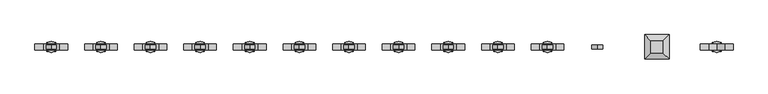
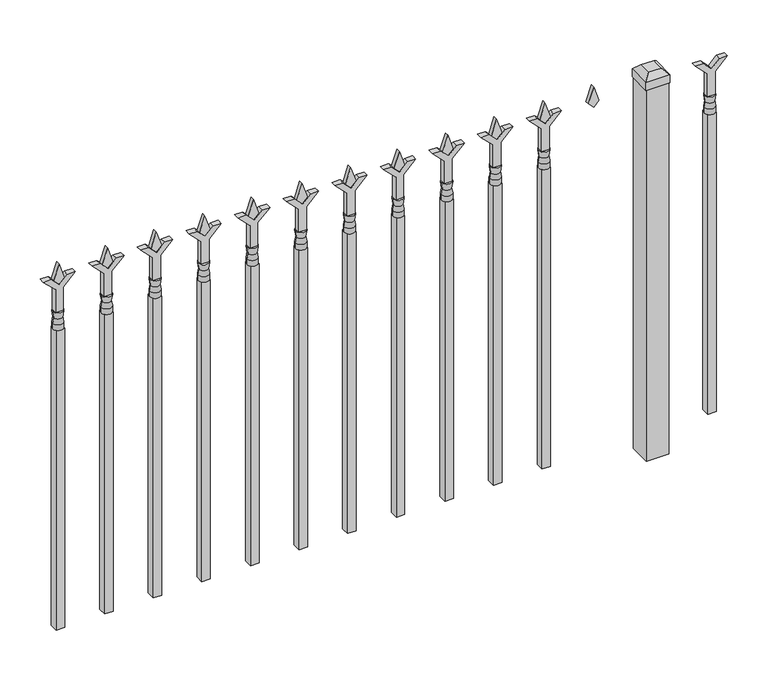
"""IFC4 building model written with IfcOpenShell, lengths in millimetres: railing geometry."""

from ifc_helpers import new_model, si_unit, frame, origin, origin_with_axes, place, context, project, spatial, polyline, circle_curve, outline, extrude, faceted_brep, source, transform, mapped, element, save
from ifc_brep_helpers import plane_surface, cylinder_surface, revolved_surface, advanced_brep


def railing_b59e7a81(model_context):
    return source(origin(), model_context, "Body", "SolidModel", [
        extrude(outline(polyline([(803.275, -90084.624337), (857.5457378, -90084.624337), (884.7355122, -90057.4345625), (884.7355122, -90075.3950747), (866.775, -90093.355587), (884.7355122, -90111.3160992), (884.7355122, -90129.2766114), (857.5457378, -90102.086837), (803.275, -90102.086837), (803.275, -90084.624337)])), frame((0.0, 3015.9929826, 0.0), z_axis=(0.0, 1.0, 0.0), x_axis=(0.0, 0.0, 1.0)), (0.0, 0.0, 1.0), 12.7),
        advanced_brep(
        [(-90081.449337, 3022.3429826, 774.7), (-90105.261837, 3022.3429826, 774.7), (-90105.261837, 3022.3429826, 762.0), (-90081.449337, 3022.3429826, 762.0), (-90083.6546688, 3022.3429826, 787.2070585), (-90103.0565051, 3022.3429826, 787.2070585), (-90081.449337, 3022.3429826, 803.275), (-90105.261837, 3022.3429826, 803.275), (-90093.355587, 3022.3429826, 803.275), (-90093.355587, 3022.3429826, 762.0)],
        [
            (0, 1, circle_curve(frame((-90093.355587, 3022.3429826, 774.7), z_axis=(0.0, 0.0, -1.0), x_axis=(-1.0, 0.0, 0.0)), 11.90625)),
            (1, 2),
            (2, 3, circle_curve(frame((-90093.355587, 3022.3429826, 762.0), z_axis=(0.0, 0.0, 1.0), x_axis=(-1.0, 0.0, 0.0)), 11.90625)),
            (3, 0),
            (1, 0, circle_curve(frame((-90093.355587, 3022.3429826, 774.7), z_axis=(0.0, 0.0, -1.0), x_axis=(-1.0, 0.0, 0.0)), 11.90625)),
            (3, 2, circle_curve(frame((-90093.355587, 3022.3429826, 762.0), z_axis=(0.0, 0.0, 1.0), x_axis=(-1.0, 0.0, 0.0)), 11.90625)),
            (4, 5, circle_curve(frame((-90093.355587, 3022.3429826, 787.2070585), z_axis=(0.0, 0.0, -1.0), x_axis=(-1.0, 0.0, 0.0)), 9.7009181)),
            (5, 1),
            (0, 4),
            (5, 4, circle_curve(frame((-90093.355587, 3022.3429826, 787.2070585), z_axis=(0.0, 0.0, -1.0), x_axis=(-1.0, 0.0, 0.0)), 9.7009181)),
            (6, 7, circle_curve(frame((-90093.355587, 3022.3429826, 803.275), z_axis=(0.0, 0.0, -1.0), x_axis=(-1.0, 0.0, 0.0)), 11.90625)),
            (7, 5),
            (4, 6),
            (7, 6, circle_curve(frame((-90093.355587, 3022.3429826, 803.275), z_axis=(0.0, 0.0, -1.0), x_axis=(-1.0, 0.0, 0.0)), 11.90625)),
            (8, 7),
            (6, 8),
            (2, 9),
            (9, 3),
        ],
        [
            cylinder_surface(frame((-90093.355587, 3022.3429826, 762.0), z_axis=(0.0, 0.0, 1.0), x_axis=(-1.0, 0.0, 0.0)), 11.90625),
            revolved_surface(polyline([(-90105.261837, 3022.3429826, 774.7), (-90103.0565051, 3022.3429826, 787.2070585)]), (-90093.355587, 3022.3429826, 762.0), (0.0, 0.0, 1.0)),
            revolved_surface(polyline([(-90103.0565051, 3022.3429826, 787.2070585), (-90105.261837, 3022.3429826, 803.275)]), (-90093.355587, 3022.3429826, 762.0), (0.0, 0.0, 1.0)),
            plane_surface(frame((-90093.355587, 3022.3429826, 803.275), z_axis=(0.0, 0.0, 1.0), x_axis=(-1.0, 0.0, 0.0))),
            plane_surface(frame((-90093.355587, 3022.3429826, 762.0), z_axis=(0.0, 0.0, -1.0), x_axis=(-1.0, 0.0, 0.0))),
        ],
        [
            (0, [[1, 2, 3, 4]]),
            (0, [[5, -4, 6, -2]]),
            (1, [[7, 8, -1, 9]]),
            (1, [[10, -9, -5, -8]]),
            (2, [[11, 12, -7, 13]]),
            (2, [[14, -13, -10, -12]]),
            (3, [[15, -11, 16]]),
            (3, [[-16, -14, -15]]),
            (4, [[-3, 17, 18]]),
            (4, [[-6, -18, -17]]),
        ],
    ),
        extrude(outline(polyline([(-90102.880587, 3031.8679826), (-90083.830587, 3031.8679826), (-90083.830587, 3012.8179826), (-90102.880587, 3012.8179826), (-90102.880587, 3031.8679826)])), frame((0.0, 0.0, 50.8), z_axis=(0.0, 0.0, 1.0), x_axis=(1.0, 0.0, 0.0)), (0.0, 0.0, 1.0), 711.2),
        faceted_brep([(-90252.105587, 3049.3304826, 901.7), (-90252.105587, 3049.3304826, 882.65), (-90252.105587, 2995.3554826, 882.65), (-90252.105587, 2995.3554826, 901.7), (-90239.405587, 3036.6304826, 914.4), (-90239.405587, 3008.0554826, 914.4), (-90198.130587, 2995.3554826, 882.65), (-90198.130587, 2995.3554826, 901.7), (-90210.830587, 3008.0554826, 914.4), (-90198.130587, 3049.3304826, 882.65), (-90198.130587, 3049.3304826, 901.7), (-90210.830587, 3036.6304826, 914.4)], [[[0, 1, 2, 3]], [[4, 0, 3, 5]], [[3, 2, 6, 7]], [[5, 3, 7, 8]], [[7, 6, 9, 10]], [[8, 7, 10, 11]], [[10, 9, 1, 0]], [[11, 10, 0, 4]], [[5, 8, 11, 4]], [[1, 9, 6, 2]]]),
        extrude(outline(polyline([(-90199.718087, 3047.7429826), (-90199.718087, 2996.9429826), (-90250.518087, 2996.9429826), (-90250.518087, 3047.7429826), (-90199.718087, 3047.7429826)])), origin_with_axes(), (0.0, 0.0, 1.0), 882.65),
        extrude(outline(polyline([(878.68125, -90454.2472536), (914.4, -90466.1535036), (878.68125, -90478.0597536), (866.775, -90466.1535036), (878.68125, -90454.2472536)])), frame((0.0, 3017.5804826, 0.0), z_axis=(0.0, 1.0, 0.0), x_axis=(0.0, 0.0, 1.0)), (0.0, 0.0, 1.0), 9.525),
        extrude(outline(polyline([(803.275, -90457.4222536), (857.5457378, -90457.4222536), (884.7355122, -90430.2324791), (884.7355122, -90448.1929914), (866.775, -90466.1535036), (884.7355122, -90484.1140159), (884.7355122, -90502.0745281), (857.5457378, -90474.8847536), (803.275, -90474.8847536), (803.275, -90457.4222536)])), frame((0.0, 3015.9929826, 0.0), z_axis=(0.0, 1.0, 0.0), x_axis=(0.0, 0.0, 1.0)), (0.0, 0.0, 1.0), 12.7),
        advanced_brep(
        [(-90454.2472536, 3022.3429826, 774.7), (-90478.0597536, 3022.3429826, 774.7), (-90478.0597536, 3022.3429826, 762.0), (-90454.2472536, 3022.3429826, 762.0), (-90456.4525855, 3022.3429826, 787.2070585), (-90475.8544218, 3022.3429826, 787.2070585), (-90454.2472536, 3022.3429826, 803.275), (-90478.0597536, 3022.3429826, 803.275), (-90466.1535036, 3022.3429826, 803.275), (-90466.1535036, 3022.3429826, 762.0)],
        [
            (0, 1, circle_curve(frame((-90466.1535036, 3022.3429826, 774.7), z_axis=(0.0, 0.0, -1.0), x_axis=(-1.0, 0.0, 0.0)), 11.90625)),
            (1, 2),
            (2, 3, circle_curve(frame((-90466.1535036, 3022.3429826, 762.0), z_axis=(0.0, 0.0, 1.0), x_axis=(-1.0, 0.0, 0.0)), 11.90625)),
            (3, 0),
            (1, 0, circle_curve(frame((-90466.1535036, 3022.3429826, 774.7), z_axis=(0.0, 0.0, -1.0), x_axis=(-1.0, 0.0, 0.0)), 11.90625)),
            (3, 2, circle_curve(frame((-90466.1535036, 3022.3429826, 762.0), z_axis=(0.0, 0.0, 1.0), x_axis=(-1.0, 0.0, 0.0)), 11.90625)),
            (4, 5, circle_curve(frame((-90466.1535036, 3022.3429826, 787.2070585), z_axis=(0.0, 0.0, -1.0), x_axis=(-1.0, 0.0, 0.0)), 9.7009181)),
            (5, 1),
            (0, 4),
            (5, 4, circle_curve(frame((-90466.1535036, 3022.3429826, 787.2070585), z_axis=(0.0, 0.0, -1.0), x_axis=(-1.0, 0.0, 0.0)), 9.7009181)),
            (6, 7, circle_curve(frame((-90466.1535036, 3022.3429826, 803.275), z_axis=(0.0, 0.0, -1.0), x_axis=(-1.0, 0.0, 0.0)), 11.90625)),
            (7, 5),
            (4, 6),
            (7, 6, circle_curve(frame((-90466.1535036, 3022.3429826, 803.275), z_axis=(0.0, 0.0, -1.0), x_axis=(-1.0, 0.0, 0.0)), 11.90625)),
            (8, 7),
            (6, 8),
            (2, 9),
            (9, 3),
        ],
        [
            cylinder_surface(frame((-90466.1535036, 3022.3429826, 762.0), z_axis=(0.0, 0.0, 1.0), x_axis=(-1.0, 0.0, 0.0)), 11.90625),
            revolved_surface(polyline([(-90478.0597536, 3022.3429826, 774.7), (-90475.8544218, 3022.3429826, 787.2070585)]), (-90466.1535036, 3022.3429826, 762.0), (0.0, 0.0, 1.0)),
            revolved_surface(polyline([(-90475.8544218, 3022.3429826, 787.2070585), (-90478.0597536, 3022.3429826, 803.275)]), (-90466.1535036, 3022.3429826, 762.0), (0.0, 0.0, 1.0)),
            plane_surface(frame((-90466.1535036, 3022.3429826, 803.275), z_axis=(0.0, 0.0, 1.0), x_axis=(-1.0, 0.0, 0.0))),
            plane_surface(frame((-90466.1535036, 3022.3429826, 762.0), z_axis=(0.0, 0.0, -1.0), x_axis=(-1.0, 0.0, 0.0))),
        ],
        [
            (0, [[1, 2, 3, 4]]),
            (0, [[5, -4, 6, -2]]),
            (1, [[7, 8, -1, 9]]),
            (1, [[10, -9, -5, -8]]),
            (2, [[11, 12, -7, 13]]),
            (2, [[14, -13, -10, -12]]),
            (3, [[15, -11, 16]]),
            (3, [[-16, -14, -15]]),
            (4, [[-3, 17, 18]]),
            (4, [[-6, -18, -17]]),
        ],
    ),
        extrude(outline(polyline([(-90475.6785036, 3031.8679826), (-90456.6285036, 3031.8679826), (-90456.6285036, 3012.8179826), (-90475.6785036, 3012.8179826), (-90475.6785036, 3031.8679826)])), frame((0.0, 0.0, 50.8), z_axis=(0.0, 0.0, 1.0), x_axis=(1.0, 0.0, 0.0)), (0.0, 0.0, 1.0), 711.2),
        extrude(outline(polyline([(878.68125, -90563.5201703), (914.4, -90575.4264203), (878.68125, -90587.3326703), (866.775, -90575.4264203), (878.68125, -90563.5201703)])), frame((0.0, 3017.5804826, 0.0), z_axis=(0.0, 1.0, 0.0), x_axis=(0.0, 0.0, 1.0)), (0.0, 0.0, 1.0), 9.525),
        extrude(outline(polyline([(803.275, -90566.6951703), (857.5457378, -90566.6951703), (884.7355122, -90539.5053958), (884.7355122, -90557.4659081), (866.775, -90575.4264203), (884.7355122, -90593.3869325), (884.7355122, -90611.3474448), (857.5457378, -90584.1576703), (803.275, -90584.1576703), (803.275, -90566.6951703)])), frame((0.0, 3015.9929826, 0.0), z_axis=(0.0, 1.0, 0.0), x_axis=(0.0, 0.0, 1.0)), (0.0, 0.0, 1.0), 12.7),
        advanced_brep(
        [(-90563.5201703, 3022.3429826, 774.7), (-90587.3326703, 3022.3429826, 774.7), (-90587.3326703, 3022.3429826, 762.0), (-90563.5201703, 3022.3429826, 762.0), (-90565.7255022, 3022.3429826, 787.2070585), (-90585.1273384, 3022.3429826, 787.2070585), (-90563.5201703, 3022.3429826, 803.275), (-90587.3326703, 3022.3429826, 803.275), (-90575.4264203, 3022.3429826, 803.275), (-90575.4264203, 3022.3429826, 762.0)],
        [
            (0, 1, circle_curve(frame((-90575.4264203, 3022.3429826, 774.7), z_axis=(0.0, 0.0, -1.0), x_axis=(-1.0, 0.0, 0.0)), 11.90625)),
            (1, 2),
            (2, 3, circle_curve(frame((-90575.4264203, 3022.3429826, 762.0), z_axis=(0.0, 0.0, 1.0), x_axis=(-1.0, 0.0, 0.0)), 11.90625)),
            (3, 0),
            (1, 0, circle_curve(frame((-90575.4264203, 3022.3429826, 774.7), z_axis=(0.0, 0.0, -1.0), x_axis=(-1.0, 0.0, 0.0)), 11.90625)),
            (3, 2, circle_curve(frame((-90575.4264203, 3022.3429826, 762.0), z_axis=(0.0, 0.0, 1.0), x_axis=(-1.0, 0.0, 0.0)), 11.90625)),
            (4, 5, circle_curve(frame((-90575.4264203, 3022.3429826, 787.2070585), z_axis=(0.0, 0.0, -1.0), x_axis=(-1.0, 0.0, 0.0)), 9.7009181)),
            (5, 1),
            (0, 4),
            (5, 4, circle_curve(frame((-90575.4264203, 3022.3429826, 787.2070585), z_axis=(0.0, 0.0, -1.0), x_axis=(-1.0, 0.0, 0.0)), 9.7009181)),
            (6, 7, circle_curve(frame((-90575.4264203, 3022.3429826, 803.275), z_axis=(0.0, 0.0, -1.0), x_axis=(-1.0, 0.0, 0.0)), 11.90625)),
            (7, 5),
            (4, 6),
            (7, 6, circle_curve(frame((-90575.4264203, 3022.3429826, 803.275), z_axis=(0.0, 0.0, -1.0), x_axis=(-1.0, 0.0, 0.0)), 11.90625)),
            (8, 7),
            (6, 8),
            (2, 9),
            (9, 3),
        ],
        [
            cylinder_surface(frame((-90575.4264203, 3022.3429826, 762.0), z_axis=(0.0, 0.0, 1.0), x_axis=(-1.0, 0.0, 0.0)), 11.90625),
            revolved_surface(polyline([(-90587.3326703, 3022.3429826, 774.7), (-90585.1273384, 3022.3429826, 787.2070585)]), (-90575.4264203, 3022.3429826, 762.0), (0.0, 0.0, 1.0)),
            revolved_surface(polyline([(-90585.1273384, 3022.3429826, 787.2070585), (-90587.3326703, 3022.3429826, 803.275)]), (-90575.4264203, 3022.3429826, 762.0), (0.0, 0.0, 1.0)),
            plane_surface(frame((-90575.4264203, 3022.3429826, 803.275), z_axis=(0.0, 0.0, 1.0), x_axis=(-1.0, 0.0, 0.0))),
            plane_surface(frame((-90575.4264203, 3022.3429826, 762.0), z_axis=(0.0, 0.0, -1.0), x_axis=(-1.0, 0.0, 0.0))),
        ],
        [
            (0, [[1, 2, 3, 4]]),
            (0, [[5, -4, 6, -2]]),
            (1, [[7, 8, -1, 9]]),
            (1, [[10, -9, -5, -8]]),
            (2, [[11, 12, -7, 13]]),
            (2, [[14, -13, -10, -12]]),
            (3, [[15, -11, 16]]),
            (3, [[-16, -14, -15]]),
            (4, [[-3, 17, 18]]),
            (4, [[-6, -18, -17]]),
        ],
    ),
        extrude(outline(polyline([(-90584.9514203, 3031.8679826), (-90565.9014203, 3031.8679826), (-90565.9014203, 3012.8179826), (-90584.9514203, 3012.8179826), (-90584.9514203, 3031.8679826)])), frame((0.0, 0.0, 50.8), z_axis=(0.0, 0.0, 1.0), x_axis=(1.0, 0.0, 0.0)), (0.0, 0.0, 1.0), 711.2),
        extrude(outline(polyline([(878.68125, -90672.793087), (914.4, -90684.699337), (878.68125, -90696.605587), (866.775, -90684.699337), (878.68125, -90672.793087)])), frame((0.0, 3017.5804826, 0.0), z_axis=(0.0, 1.0, 0.0), x_axis=(0.0, 0.0, 1.0)), (0.0, 0.0, 1.0), 9.525),
        extrude(outline(polyline([(803.275, -90675.968087), (857.5457378, -90675.968087), (884.7355122, -90648.7783125), (884.7355122, -90666.7388247), (866.775, -90684.699337), (884.7355122, -90702.6598492), (884.7355122, -90720.6203614), (857.5457378, -90693.430587), (803.275, -90693.430587), (803.275, -90675.968087)])), frame((0.0, 3015.9929826, 0.0), z_axis=(0.0, 1.0, 0.0), x_axis=(0.0, 0.0, 1.0)), (0.0, 0.0, 1.0), 12.7),
        advanced_brep(
        [(-90672.793087, 3022.3429826, 774.7), (-90696.605587, 3022.3429826, 774.7), (-90696.605587, 3022.3429826, 762.0), (-90672.793087, 3022.3429826, 762.0), (-90674.9984188, 3022.3429826, 787.2070585), (-90694.4002551, 3022.3429826, 787.2070585), (-90672.793087, 3022.3429826, 803.275), (-90696.605587, 3022.3429826, 803.275), (-90684.699337, 3022.3429826, 803.275), (-90684.699337, 3022.3429826, 762.0)],
        [
            (0, 1, circle_curve(frame((-90684.699337, 3022.3429826, 774.7), z_axis=(0.0, 0.0, -1.0), x_axis=(-1.0, 0.0, 0.0)), 11.90625)),
            (1, 2),
            (2, 3, circle_curve(frame((-90684.699337, 3022.3429826, 762.0), z_axis=(0.0, 0.0, 1.0), x_axis=(-1.0, 0.0, 0.0)), 11.90625)),
            (3, 0),
            (1, 0, circle_curve(frame((-90684.699337, 3022.3429826, 774.7), z_axis=(0.0, 0.0, -1.0), x_axis=(-1.0, 0.0, 0.0)), 11.90625)),
            (3, 2, circle_curve(frame((-90684.699337, 3022.3429826, 762.0), z_axis=(0.0, 0.0, 1.0), x_axis=(-1.0, 0.0, 0.0)), 11.90625)),
            (4, 5, circle_curve(frame((-90684.699337, 3022.3429826, 787.2070585), z_axis=(0.0, 0.0, -1.0), x_axis=(-1.0, 0.0, 0.0)), 9.7009181)),
            (5, 1),
            (0, 4),
            (5, 4, circle_curve(frame((-90684.699337, 3022.3429826, 787.2070585), z_axis=(0.0, 0.0, -1.0), x_axis=(-1.0, 0.0, 0.0)), 9.7009181)),
            (6, 7, circle_curve(frame((-90684.699337, 3022.3429826, 803.275), z_axis=(0.0, 0.0, -1.0), x_axis=(-1.0, 0.0, 0.0)), 11.90625)),
            (7, 5),
            (4, 6),
            (7, 6, circle_curve(frame((-90684.699337, 3022.3429826, 803.275), z_axis=(0.0, 0.0, -1.0), x_axis=(-1.0, 0.0, 0.0)), 11.90625)),
            (8, 7),
            (6, 8),
            (2, 9),
            (9, 3),
        ],
        [
            cylinder_surface(frame((-90684.699337, 3022.3429826, 762.0), z_axis=(0.0, 0.0, 1.0), x_axis=(-1.0, 0.0, 0.0)), 11.90625),
            revolved_surface(polyline([(-90696.605587, 3022.3429826, 774.7), (-90694.4002551, 3022.3429826, 787.2070585)]), (-90684.699337, 3022.3429826, 762.0), (0.0, 0.0, 1.0)),
            revolved_surface(polyline([(-90694.4002551, 3022.3429826, 787.2070585), (-90696.605587, 3022.3429826, 803.275)]), (-90684.699337, 3022.3429826, 762.0), (0.0, 0.0, 1.0)),
            plane_surface(frame((-90684.699337, 3022.3429826, 803.275), z_axis=(0.0, 0.0, 1.0), x_axis=(-1.0, 0.0, 0.0))),
            plane_surface(frame((-90684.699337, 3022.3429826, 762.0), z_axis=(0.0, 0.0, -1.0), x_axis=(-1.0, 0.0, 0.0))),
        ],
        [
            (0, [[1, 2, 3, 4]]),
            (0, [[5, -4, 6, -2]]),
            (1, [[7, 8, -1, 9]]),
            (1, [[10, -9, -5, -8]]),
            (2, [[11, 12, -7, 13]]),
            (2, [[14, -13, -10, -12]]),
            (3, [[15, -11, 16]]),
            (3, [[-16, -14, -15]]),
            (4, [[-3, 17, 18]]),
            (4, [[-6, -18, -17]]),
        ],
    ),
        extrude(outline(polyline([(-90694.224337, 3031.8679826), (-90675.174337, 3031.8679826), (-90675.174337, 3012.8179826), (-90694.224337, 3012.8179826), (-90694.224337, 3031.8679826)])), frame((0.0, 0.0, 50.8), z_axis=(0.0, 0.0, 1.0), x_axis=(1.0, 0.0, 0.0)), (0.0, 0.0, 1.0), 711.2),
        extrude(outline(polyline([(878.68125, -90782.0660036), (914.4, -90793.9722536), (878.68125, -90805.8785036), (866.775, -90793.9722536), (878.68125, -90782.0660036)])), frame((0.0, 3017.5804826, 0.0), z_axis=(0.0, 1.0, 0.0), x_axis=(0.0, 0.0, 1.0)), (0.0, 0.0, 1.0), 9.525),
        extrude(outline(polyline([(803.275, -90785.2410036), (857.5457378, -90785.2410036), (884.7355122, -90758.0512291), (884.7355122, -90776.0117414), (866.775, -90793.9722536), (884.7355122, -90811.9327659), (884.7355122, -90829.8932781), (857.5457378, -90802.7035036), (803.275, -90802.7035036), (803.275, -90785.2410036)])), frame((0.0, 3015.9929826, 0.0), z_axis=(0.0, 1.0, 0.0), x_axis=(0.0, 0.0, 1.0)), (0.0, 0.0, 1.0), 12.7),
        advanced_brep(
        [(-90782.0660036, 3022.3429826, 774.7), (-90805.8785036, 3022.3429826, 774.7), (-90805.8785036, 3022.3429826, 762.0), (-90782.0660036, 3022.3429826, 762.0), (-90784.2713355, 3022.3429826, 787.2070585), (-90803.6731718, 3022.3429826, 787.2070585), (-90782.0660036, 3022.3429826, 803.275), (-90805.8785036, 3022.3429826, 803.275), (-90793.9722536, 3022.3429826, 803.275), (-90793.9722536, 3022.3429826, 762.0)],
        [
            (0, 1, circle_curve(frame((-90793.9722536, 3022.3429826, 774.7), z_axis=(0.0, 0.0, -1.0), x_axis=(-1.0, 0.0, 0.0)), 11.90625)),
            (1, 2),
            (2, 3, circle_curve(frame((-90793.9722536, 3022.3429826, 762.0), z_axis=(0.0, 0.0, 1.0), x_axis=(-1.0, 0.0, 0.0)), 11.90625)),
            (3, 0),
            (1, 0, circle_curve(frame((-90793.9722536, 3022.3429826, 774.7), z_axis=(0.0, 0.0, -1.0), x_axis=(-1.0, 0.0, 0.0)), 11.90625)),
            (3, 2, circle_curve(frame((-90793.9722536, 3022.3429826, 762.0), z_axis=(0.0, 0.0, 1.0), x_axis=(-1.0, 0.0, 0.0)), 11.90625)),
            (4, 5, circle_curve(frame((-90793.9722536, 3022.3429826, 787.2070585), z_axis=(0.0, 0.0, -1.0), x_axis=(-1.0, 0.0, 0.0)), 9.7009181)),
            (5, 1),
            (0, 4),
            (5, 4, circle_curve(frame((-90793.9722536, 3022.3429826, 787.2070585), z_axis=(0.0, 0.0, -1.0), x_axis=(-1.0, 0.0, 0.0)), 9.7009181)),
            (6, 7, circle_curve(frame((-90793.9722536, 3022.3429826, 803.275), z_axis=(0.0, 0.0, -1.0), x_axis=(-1.0, 0.0, 0.0)), 11.90625)),
            (7, 5),
            (4, 6),
            (7, 6, circle_curve(frame((-90793.9722536, 3022.3429826, 803.275), z_axis=(0.0, 0.0, -1.0), x_axis=(-1.0, 0.0, 0.0)), 11.90625)),
            (8, 7),
            (6, 8),
            (2, 9),
            (9, 3),
        ],
        [
            cylinder_surface(frame((-90793.9722536, 3022.3429826, 762.0), z_axis=(0.0, 0.0, 1.0), x_axis=(-1.0, 0.0, 0.0)), 11.90625),
            revolved_surface(polyline([(-90805.8785036, 3022.3429826, 774.7), (-90803.6731718, 3022.3429826, 787.2070585)]), (-90793.9722536, 3022.3429826, 762.0), (0.0, 0.0, 1.0)),
            revolved_surface(polyline([(-90803.6731718, 3022.3429826, 787.2070585), (-90805.8785036, 3022.3429826, 803.275)]), (-90793.9722536, 3022.3429826, 762.0), (0.0, 0.0, 1.0)),
            plane_surface(frame((-90793.9722536, 3022.3429826, 803.275), z_axis=(0.0, 0.0, 1.0), x_axis=(-1.0, 0.0, 0.0))),
            plane_surface(frame((-90793.9722536, 3022.3429826, 762.0), z_axis=(0.0, 0.0, -1.0), x_axis=(-1.0, 0.0, 0.0))),
        ],
        [
            (0, [[1, 2, 3, 4]]),
            (0, [[5, -4, 6, -2]]),
            (1, [[7, 8, -1, 9]]),
            (1, [[10, -9, -5, -8]]),
            (2, [[11, 12, -7, 13]]),
            (2, [[14, -13, -10, -12]]),
            (3, [[15, -11, 16]]),
            (3, [[-16, -14, -15]]),
            (4, [[-3, 17, 18]]),
            (4, [[-6, -18, -17]]),
        ],
    ),
        extrude(outline(polyline([(-90803.4972536, 3031.8679826), (-90784.4472536, 3031.8679826), (-90784.4472536, 3012.8179826), (-90803.4972536, 3012.8179826), (-90803.4972536, 3031.8679826)])), frame((0.0, 0.0, 50.8), z_axis=(0.0, 0.0, 1.0), x_axis=(1.0, 0.0, 0.0)), (0.0, 0.0, 1.0), 711.2),
        extrude(outline(polyline([(878.68125, -90891.3389203), (914.4, -90903.2451703), (878.68125, -90915.1514203), (866.775, -90903.2451703), (878.68125, -90891.3389203)])), frame((0.0, 3017.5804826, 0.0), z_axis=(0.0, 1.0, 0.0), x_axis=(0.0, 0.0, 1.0)), (0.0, 0.0, 1.0), 9.525),
        extrude(outline(polyline([(803.275, -90894.5139203), (857.5457378, -90894.5139203), (884.7355122, -90867.3241458), (884.7355122, -90885.2846581), (866.775, -90903.2451703), (884.7355122, -90921.2056825), (884.7355122, -90939.1661948), (857.5457378, -90911.9764203), (803.275, -90911.9764203), (803.275, -90894.5139203)])), frame((0.0, 3015.9929826, 0.0), z_axis=(0.0, 1.0, 0.0), x_axis=(0.0, 0.0, 1.0)), (0.0, 0.0, 1.0), 12.7),
        advanced_brep(
        [(-90891.3389203, 3022.3429826, 774.7), (-90915.1514203, 3022.3429826, 774.7), (-90915.1514203, 3022.3429826, 762.0), (-90891.3389203, 3022.3429826, 762.0), (-90893.5442522, 3022.3429826, 787.2070585), (-90912.9460884, 3022.3429826, 787.2070585), (-90891.3389203, 3022.3429826, 803.275), (-90915.1514203, 3022.3429826, 803.275), (-90903.2451703, 3022.3429826, 803.275), (-90903.2451703, 3022.3429826, 762.0)],
        [
            (0, 1, circle_curve(frame((-90903.2451703, 3022.3429826, 774.7), z_axis=(0.0, 0.0, -1.0), x_axis=(-1.0, 0.0, 0.0)), 11.90625)),
            (1, 2),
            (2, 3, circle_curve(frame((-90903.2451703, 3022.3429826, 762.0), z_axis=(0.0, 0.0, 1.0), x_axis=(-1.0, 0.0, 0.0)), 11.90625)),
            (3, 0),
            (1, 0, circle_curve(frame((-90903.2451703, 3022.3429826, 774.7), z_axis=(0.0, 0.0, -1.0), x_axis=(-1.0, 0.0, 0.0)), 11.90625)),
            (3, 2, circle_curve(frame((-90903.2451703, 3022.3429826, 762.0), z_axis=(0.0, 0.0, 1.0), x_axis=(-1.0, 0.0, 0.0)), 11.90625)),
            (4, 5, circle_curve(frame((-90903.2451703, 3022.3429826, 787.2070585), z_axis=(0.0, 0.0, -1.0), x_axis=(-1.0, 0.0, 0.0)), 9.7009181)),
            (5, 1),
            (0, 4),
            (5, 4, circle_curve(frame((-90903.2451703, 3022.3429826, 787.2070585), z_axis=(0.0, 0.0, -1.0), x_axis=(-1.0, 0.0, 0.0)), 9.7009181)),
            (6, 7, circle_curve(frame((-90903.2451703, 3022.3429826, 803.275), z_axis=(0.0, 0.0, -1.0), x_axis=(-1.0, 0.0, 0.0)), 11.90625)),
            (7, 5),
            (4, 6),
            (7, 6, circle_curve(frame((-90903.2451703, 3022.3429826, 803.275), z_axis=(0.0, 0.0, -1.0), x_axis=(-1.0, 0.0, 0.0)), 11.90625)),
            (8, 7),
            (6, 8),
            (2, 9),
            (9, 3),
        ],
        [
            cylinder_surface(frame((-90903.2451703, 3022.3429826, 762.0), z_axis=(0.0, 0.0, 1.0), x_axis=(-1.0, 0.0, 0.0)), 11.90625),
            revolved_surface(polyline([(-90915.1514203, 3022.3429826, 774.7), (-90912.9460884, 3022.3429826, 787.2070585)]), (-90903.2451703, 3022.3429826, 762.0), (0.0, 0.0, 1.0)),
            revolved_surface(polyline([(-90912.9460884, 3022.3429826, 787.2070585), (-90915.1514203, 3022.3429826, 803.275)]), (-90903.2451703, 3022.3429826, 762.0), (0.0, 0.0, 1.0)),
            plane_surface(frame((-90903.2451703, 3022.3429826, 803.275), z_axis=(0.0, 0.0, 1.0), x_axis=(-1.0, 0.0, 0.0))),
            plane_surface(frame((-90903.2451703, 3022.3429826, 762.0), z_axis=(0.0, 0.0, -1.0), x_axis=(-1.0, 0.0, 0.0))),
        ],
        [
            (0, [[1, 2, 3, 4]]),
            (0, [[5, -4, 6, -2]]),
            (1, [[7, 8, -1, 9]]),
            (1, [[10, -9, -5, -8]]),
            (2, [[11, 12, -7, 13]]),
            (2, [[14, -13, -10, -12]]),
            (3, [[15, -11, 16]]),
            (3, [[-16, -14, -15]]),
            (4, [[-3, 17, 18]]),
            (4, [[-6, -18, -17]]),
        ],
    ),
        extrude(outline(polyline([(-90912.7701703, 3031.8679826), (-90893.7201703, 3031.8679826), (-90893.7201703, 3012.8179826), (-90912.7701703, 3012.8179826), (-90912.7701703, 3031.8679826)])), frame((0.0, 0.0, 50.8), z_axis=(0.0, 0.0, 1.0), x_axis=(1.0, 0.0, 0.0)), (0.0, 0.0, 1.0), 711.2),
        extrude(outline(polyline([(878.68125, -91000.611837), (914.4, -91012.518087), (878.68125, -91024.424337), (866.775, -91012.518087), (878.68125, -91000.611837)])), frame((0.0, 3017.5804826, 0.0), z_axis=(0.0, 1.0, 0.0), x_axis=(0.0, 0.0, 1.0)), (0.0, 0.0, 1.0), 9.525),
        extrude(outline(polyline([(803.275, -91003.786837), (857.5457378, -91003.786837), (884.7355122, -90976.5970625), (884.7355122, -90994.5575747), (866.775, -91012.518087), (884.7355122, -91030.4785992), (884.7355122, -91048.4391114), (857.5457378, -91021.249337), (803.275, -91021.249337), (803.275, -91003.786837)])), frame((0.0, 3015.9929826, 0.0), z_axis=(0.0, 1.0, 0.0), x_axis=(0.0, 0.0, 1.0)), (0.0, 0.0, 1.0), 12.7),
        advanced_brep(
        [(-91000.611837, 3022.3429826, 774.7), (-91024.424337, 3022.3429826, 774.7), (-91024.424337, 3022.3429826, 762.0), (-91000.611837, 3022.3429826, 762.0), (-91002.8171688, 3022.3429826, 787.2070585), (-91022.2190051, 3022.3429826, 787.2070585), (-91000.611837, 3022.3429826, 803.275), (-91024.424337, 3022.3429826, 803.275), (-91012.518087, 3022.3429826, 803.275), (-91012.518087, 3022.3429826, 762.0)],
        [
            (0, 1, circle_curve(frame((-91012.518087, 3022.3429826, 774.7), z_axis=(0.0, 0.0, -1.0), x_axis=(-1.0, 0.0, 0.0)), 11.90625)),
            (1, 2),
            (2, 3, circle_curve(frame((-91012.518087, 3022.3429826, 762.0), z_axis=(0.0, 0.0, 1.0), x_axis=(-1.0, 0.0, 0.0)), 11.90625)),
            (3, 0),
            (1, 0, circle_curve(frame((-91012.518087, 3022.3429826, 774.7), z_axis=(0.0, 0.0, -1.0), x_axis=(-1.0, 0.0, 0.0)), 11.90625)),
            (3, 2, circle_curve(frame((-91012.518087, 3022.3429826, 762.0), z_axis=(0.0, 0.0, 1.0), x_axis=(-1.0, 0.0, 0.0)), 11.90625)),
            (4, 5, circle_curve(frame((-91012.518087, 3022.3429826, 787.2070585), z_axis=(0.0, 0.0, -1.0), x_axis=(-1.0, 0.0, 0.0)), 9.7009181)),
            (5, 1),
            (0, 4),
            (5, 4, circle_curve(frame((-91012.518087, 3022.3429826, 787.2070585), z_axis=(0.0, 0.0, -1.0), x_axis=(-1.0, 0.0, 0.0)), 9.7009181)),
            (6, 7, circle_curve(frame((-91012.518087, 3022.3429826, 803.275), z_axis=(0.0, 0.0, -1.0), x_axis=(-1.0, 0.0, 0.0)), 11.90625)),
            (7, 5),
            (4, 6),
            (7, 6, circle_curve(frame((-91012.518087, 3022.3429826, 803.275), z_axis=(0.0, 0.0, -1.0), x_axis=(-1.0, 0.0, 0.0)), 11.90625)),
            (8, 7),
            (6, 8),
            (2, 9),
            (9, 3),
        ],
        [
            cylinder_surface(frame((-91012.518087, 3022.3429826, 762.0), z_axis=(0.0, 0.0, 1.0), x_axis=(-1.0, 0.0, 0.0)), 11.90625),
            revolved_surface(polyline([(-91024.424337, 3022.3429826, 774.7), (-91022.2190051, 3022.3429826, 787.2070585)]), (-91012.518087, 3022.3429826, 762.0), (0.0, 0.0, 1.0)),
            revolved_surface(polyline([(-91022.2190051, 3022.3429826, 787.2070585), (-91024.424337, 3022.3429826, 803.275)]), (-91012.518087, 3022.3429826, 762.0), (0.0, 0.0, 1.0)),
            plane_surface(frame((-91012.518087, 3022.3429826, 803.275), z_axis=(0.0, 0.0, 1.0), x_axis=(-1.0, 0.0, 0.0))),
            plane_surface(frame((-91012.518087, 3022.3429826, 762.0), z_axis=(0.0, 0.0, -1.0), x_axis=(-1.0, 0.0, 0.0))),
        ],
        [
            (0, [[1, 2, 3, 4]]),
            (0, [[5, -4, 6, -2]]),
            (1, [[7, 8, -1, 9]]),
            (1, [[10, -9, -5, -8]]),
            (2, [[11, 12, -7, 13]]),
            (2, [[14, -13, -10, -12]]),
            (3, [[15, -11, 16]]),
            (3, [[-16, -14, -15]]),
            (4, [[-3, 17, 18]]),
            (4, [[-6, -18, -17]]),
        ],
    ),
        extrude(outline(polyline([(-91022.043087, 3031.8679826), (-91002.993087, 3031.8679826), (-91002.993087, 3012.8179826), (-91022.043087, 3012.8179826), (-91022.043087, 3031.8679826)])), frame((0.0, 0.0, 50.8), z_axis=(0.0, 0.0, 1.0), x_axis=(1.0, 0.0, 0.0)), (0.0, 0.0, 1.0), 711.2),
        extrude(outline(polyline([(878.68125, -91109.8847536), (914.4, -91121.7910036), (878.68125, -91133.6972536), (866.775, -91121.7910036), (878.68125, -91109.8847536)])), frame((0.0, 3017.5804826, 0.0), z_axis=(0.0, 1.0, 0.0), x_axis=(0.0, 0.0, 1.0)), (0.0, 0.0, 1.0), 9.525),
        extrude(outline(polyline([(803.275, -91113.0597536), (857.5457378, -91113.0597536), (884.7355122, -91085.8699791), (884.7355122, -91103.8304914), (866.775, -91121.7910036), (884.7355122, -91139.7515159), (884.7355122, -91157.7120281), (857.5457378, -91130.5222536), (803.275, -91130.5222536), (803.275, -91113.0597536)])), frame((0.0, 3015.9929826, 0.0), z_axis=(0.0, 1.0, 0.0), x_axis=(0.0, 0.0, 1.0)), (0.0, 0.0, 1.0), 12.7),
        advanced_brep(
        [(-91109.8847536, 3022.3429826, 774.7), (-91133.6972536, 3022.3429826, 774.7), (-91133.6972536, 3022.3429826, 762.0), (-91109.8847536, 3022.3429826, 762.0), (-91112.0900855, 3022.3429826, 787.2070585), (-91131.4919218, 3022.3429826, 787.2070585), (-91109.8847536, 3022.3429826, 803.275), (-91133.6972536, 3022.3429826, 803.275), (-91121.7910036, 3022.3429826, 803.275), (-91121.7910036, 3022.3429826, 762.0)],
        [
            (0, 1, circle_curve(frame((-91121.7910036, 3022.3429826, 774.7), z_axis=(0.0, 0.0, -1.0), x_axis=(-1.0, 0.0, 0.0)), 11.90625)),
            (1, 2),
            (2, 3, circle_curve(frame((-91121.7910036, 3022.3429826, 762.0), z_axis=(0.0, 0.0, 1.0), x_axis=(-1.0, 0.0, 0.0)), 11.90625)),
            (3, 0),
            (1, 0, circle_curve(frame((-91121.7910036, 3022.3429826, 774.7), z_axis=(0.0, 0.0, -1.0), x_axis=(-1.0, 0.0, 0.0)), 11.90625)),
            (3, 2, circle_curve(frame((-91121.7910036, 3022.3429826, 762.0), z_axis=(0.0, 0.0, 1.0), x_axis=(-1.0, 0.0, 0.0)), 11.90625)),
            (4, 5, circle_curve(frame((-91121.7910036, 3022.3429826, 787.2070585), z_axis=(0.0, 0.0, -1.0), x_axis=(-1.0, 0.0, 0.0)), 9.7009181)),
            (5, 1),
            (0, 4),
            (5, 4, circle_curve(frame((-91121.7910036, 3022.3429826, 787.2070585), z_axis=(0.0, 0.0, -1.0), x_axis=(-1.0, 0.0, 0.0)), 9.7009181)),
            (6, 7, circle_curve(frame((-91121.7910036, 3022.3429826, 803.275), z_axis=(0.0, 0.0, -1.0), x_axis=(-1.0, 0.0, 0.0)), 11.90625)),
            (7, 5),
            (4, 6),
            (7, 6, circle_curve(frame((-91121.7910036, 3022.3429826, 803.275), z_axis=(0.0, 0.0, -1.0), x_axis=(-1.0, 0.0, 0.0)), 11.90625)),
            (8, 7),
            (6, 8),
            (2, 9),
            (9, 3),
        ],
        [
            cylinder_surface(frame((-91121.7910036, 3022.3429826, 762.0), z_axis=(0.0, 0.0, 1.0), x_axis=(-1.0, 0.0, 0.0)), 11.90625),
            revolved_surface(polyline([(-91133.6972536, 3022.3429826, 774.7), (-91131.4919218, 3022.3429826, 787.2070585)]), (-91121.7910036, 3022.3429826, 762.0), (0.0, 0.0, 1.0)),
            revolved_surface(polyline([(-91131.4919218, 3022.3429826, 787.2070585), (-91133.6972536, 3022.3429826, 803.275)]), (-91121.7910036, 3022.3429826, 762.0), (0.0, 0.0, 1.0)),
            plane_surface(frame((-91121.7910036, 3022.3429826, 803.275), z_axis=(0.0, 0.0, 1.0), x_axis=(-1.0, 0.0, 0.0))),
            plane_surface(frame((-91121.7910036, 3022.3429826, 762.0), z_axis=(0.0, 0.0, -1.0), x_axis=(-1.0, 0.0, 0.0))),
        ],
        [
            (0, [[1, 2, 3, 4]]),
            (0, [[5, -4, 6, -2]]),
            (1, [[7, 8, -1, 9]]),
            (1, [[10, -9, -5, -8]]),
            (2, [[11, 12, -7, 13]]),
            (2, [[14, -13, -10, -12]]),
            (3, [[15, -11, 16]]),
            (3, [[-16, -14, -15]]),
            (4, [[-3, 17, 18]]),
            (4, [[-6, -18, -17]]),
        ],
    ),
        extrude(outline(polyline([(-91131.3160036, 3031.8679826), (-91112.2660036, 3031.8679826), (-91112.2660036, 3012.8179826), (-91131.3160036, 3012.8179826), (-91131.3160036, 3031.8679826)])), frame((0.0, 0.0, 50.8), z_axis=(0.0, 0.0, 1.0), x_axis=(1.0, 0.0, 0.0)), (0.0, 0.0, 1.0), 711.2),
        extrude(outline(polyline([(878.68125, -91219.1576703), (914.4, -91231.0639203), (878.68125, -91242.9701703), (866.775, -91231.0639203), (878.68125, -91219.1576703)])), frame((0.0, 3017.5804826, 0.0), z_axis=(0.0, 1.0, 0.0), x_axis=(0.0, 0.0, 1.0)), (0.0, 0.0, 1.0), 9.525),
        extrude(outline(polyline([(803.275, -91222.3326703), (857.5457378, -91222.3326703), (884.7355122, -91195.1428958), (884.7355122, -91213.1034081), (866.775, -91231.0639203), (884.7355122, -91249.0244325), (884.7355122, -91266.9849448), (857.5457378, -91239.7951703), (803.275, -91239.7951703), (803.275, -91222.3326703)])), frame((0.0, 3015.9929826, 0.0), z_axis=(0.0, 1.0, 0.0), x_axis=(0.0, 0.0, 1.0)), (0.0, 0.0, 1.0), 12.7),
        advanced_brep(
        [(-91219.1576703, 3022.3429826, 774.7), (-91242.9701703, 3022.3429826, 774.7), (-91242.9701703, 3022.3429826, 762.0), (-91219.1576703, 3022.3429826, 762.0), (-91221.3630022, 3022.3429826, 787.2070585), (-91240.7648384, 3022.3429826, 787.2070585), (-91219.1576703, 3022.3429826, 803.275), (-91242.9701703, 3022.3429826, 803.275), (-91231.0639203, 3022.3429826, 803.275), (-91231.0639203, 3022.3429826, 762.0)],
        [
            (0, 1, circle_curve(frame((-91231.0639203, 3022.3429826, 774.7), z_axis=(0.0, 0.0, -1.0), x_axis=(-1.0, 0.0, 0.0)), 11.90625)),
            (1, 2),
            (2, 3, circle_curve(frame((-91231.0639203, 3022.3429826, 762.0), z_axis=(0.0, 0.0, 1.0), x_axis=(-1.0, 0.0, 0.0)), 11.90625)),
            (3, 0),
            (1, 0, circle_curve(frame((-91231.0639203, 3022.3429826, 774.7), z_axis=(0.0, 0.0, -1.0), x_axis=(-1.0, 0.0, 0.0)), 11.90625)),
            (3, 2, circle_curve(frame((-91231.0639203, 3022.3429826, 762.0), z_axis=(0.0, 0.0, 1.0), x_axis=(-1.0, 0.0, 0.0)), 11.90625)),
            (4, 5, circle_curve(frame((-91231.0639203, 3022.3429826, 787.2070585), z_axis=(0.0, 0.0, -1.0), x_axis=(-1.0, 0.0, 0.0)), 9.7009181)),
            (5, 1),
            (0, 4),
            (5, 4, circle_curve(frame((-91231.0639203, 3022.3429826, 787.2070585), z_axis=(0.0, 0.0, -1.0), x_axis=(-1.0, 0.0, 0.0)), 9.7009181)),
            (6, 7, circle_curve(frame((-91231.0639203, 3022.3429826, 803.275), z_axis=(0.0, 0.0, -1.0), x_axis=(-1.0, 0.0, 0.0)), 11.90625)),
            (7, 5),
            (4, 6),
            (7, 6, circle_curve(frame((-91231.0639203, 3022.3429826, 803.275), z_axis=(0.0, 0.0, -1.0), x_axis=(-1.0, 0.0, 0.0)), 11.90625)),
            (8, 7),
            (6, 8),
            (2, 9),
            (9, 3),
        ],
        [
            cylinder_surface(frame((-91231.0639203, 3022.3429826, 762.0), z_axis=(0.0, 0.0, 1.0), x_axis=(-1.0, 0.0, 0.0)), 11.90625),
            revolved_surface(polyline([(-91242.9701703, 3022.3429826, 774.7), (-91240.7648384, 3022.3429826, 787.2070585)]), (-91231.0639203, 3022.3429826, 762.0), (0.0, 0.0, 1.0)),
            revolved_surface(polyline([(-91240.7648384, 3022.3429826, 787.2070585), (-91242.9701703, 3022.3429826, 803.275)]), (-91231.0639203, 3022.3429826, 762.0), (0.0, 0.0, 1.0)),
            plane_surface(frame((-91231.0639203, 3022.3429826, 803.275), z_axis=(0.0, 0.0, 1.0), x_axis=(-1.0, 0.0, 0.0))),
            plane_surface(frame((-91231.0639203, 3022.3429826, 762.0), z_axis=(0.0, 0.0, -1.0), x_axis=(-1.0, 0.0, 0.0))),
        ],
        [
            (0, [[1, 2, 3, 4]]),
            (0, [[5, -4, 6, -2]]),
            (1, [[7, 8, -1, 9]]),
            (1, [[10, -9, -5, -8]]),
            (2, [[11, 12, -7, 13]]),
            (2, [[14, -13, -10, -12]]),
            (3, [[15, -11, 16]]),
            (3, [[-16, -14, -15]]),
            (4, [[-3, 17, 18]]),
            (4, [[-6, -18, -17]]),
        ],
    ),
        extrude(outline(polyline([(-91240.5889203, 3031.8679826), (-91221.5389203, 3031.8679826), (-91221.5389203, 3012.8179826), (-91240.5889203, 3012.8179826), (-91240.5889203, 3031.8679826)])), frame((0.0, 0.0, 50.8), z_axis=(0.0, 0.0, 1.0), x_axis=(1.0, 0.0, 0.0)), (0.0, 0.0, 1.0), 711.2),
        extrude(outline(polyline([(878.68125, -91328.430587), (914.4, -91340.336837), (878.68125, -91352.243087), (866.775, -91340.336837), (878.68125, -91328.430587)])), frame((0.0, 3017.5804826, 0.0), z_axis=(0.0, 1.0, 0.0), x_axis=(0.0, 0.0, 1.0)), (0.0, 0.0, 1.0), 9.525),
        extrude(outline(polyline([(803.275, -91331.605587), (857.5457378, -91331.605587), (884.7355122, -91304.4158125), (884.7355122, -91322.3763247), (866.775, -91340.336837), (884.7355122, -91358.2973492), (884.7355122, -91376.2578614), (857.5457378, -91349.068087), (803.275, -91349.068087), (803.275, -91331.605587)])), frame((0.0, 3015.9929826, 0.0), z_axis=(0.0, 1.0, 0.0), x_axis=(0.0, 0.0, 1.0)), (0.0, 0.0, 1.0), 12.7),
        advanced_brep(
        [(-91328.430587, 3022.3429826, 774.7), (-91352.243087, 3022.3429826, 774.7), (-91352.243087, 3022.3429826, 762.0), (-91328.430587, 3022.3429826, 762.0), (-91330.6359188, 3022.3429826, 787.2070585), (-91350.0377551, 3022.3429826, 787.2070585), (-91328.430587, 3022.3429826, 803.275), (-91352.243087, 3022.3429826, 803.275), (-91340.336837, 3022.3429826, 803.275), (-91340.336837, 3022.3429826, 762.0)],
        [
            (0, 1, circle_curve(frame((-91340.336837, 3022.3429826, 774.7), z_axis=(0.0, 0.0, -1.0), x_axis=(-1.0, 0.0, 0.0)), 11.90625)),
            (1, 2),
            (2, 3, circle_curve(frame((-91340.336837, 3022.3429826, 762.0), z_axis=(0.0, 0.0, 1.0), x_axis=(-1.0, 0.0, 0.0)), 11.90625)),
            (3, 0),
            (1, 0, circle_curve(frame((-91340.336837, 3022.3429826, 774.7), z_axis=(0.0, 0.0, -1.0), x_axis=(-1.0, 0.0, 0.0)), 11.90625)),
            (3, 2, circle_curve(frame((-91340.336837, 3022.3429826, 762.0), z_axis=(0.0, 0.0, 1.0), x_axis=(-1.0, 0.0, 0.0)), 11.90625)),
            (4, 5, circle_curve(frame((-91340.336837, 3022.3429826, 787.2070585), z_axis=(0.0, 0.0, -1.0), x_axis=(-1.0, 0.0, 0.0)), 9.7009181)),
            (5, 1),
            (0, 4),
            (5, 4, circle_curve(frame((-91340.336837, 3022.3429826, 787.2070585), z_axis=(0.0, 0.0, -1.0), x_axis=(-1.0, 0.0, 0.0)), 9.7009181)),
            (6, 7, circle_curve(frame((-91340.336837, 3022.3429826, 803.275), z_axis=(0.0, 0.0, -1.0), x_axis=(-1.0, 0.0, 0.0)), 11.90625)),
            (7, 5),
            (4, 6),
            (7, 6, circle_curve(frame((-91340.336837, 3022.3429826, 803.275), z_axis=(0.0, 0.0, -1.0), x_axis=(-1.0, 0.0, 0.0)), 11.90625)),
            (8, 7),
            (6, 8),
            (2, 9),
            (9, 3),
        ],
        [
            cylinder_surface(frame((-91340.336837, 3022.3429826, 762.0), z_axis=(0.0, 0.0, 1.0), x_axis=(-1.0, 0.0, 0.0)), 11.90625),
            revolved_surface(polyline([(-91352.243087, 3022.3429826, 774.7), (-91350.0377551, 3022.3429826, 787.2070585)]), (-91340.336837, 3022.3429826, 762.0), (0.0, 0.0, 1.0)),
            revolved_surface(polyline([(-91350.0377551, 3022.3429826, 787.2070585), (-91352.243087, 3022.3429826, 803.275)]), (-91340.336837, 3022.3429826, 762.0), (0.0, 0.0, 1.0)),
            plane_surface(frame((-91340.336837, 3022.3429826, 803.275), z_axis=(0.0, 0.0, 1.0), x_axis=(-1.0, 0.0, 0.0))),
            plane_surface(frame((-91340.336837, 3022.3429826, 762.0), z_axis=(0.0, 0.0, -1.0), x_axis=(-1.0, 0.0, 0.0))),
        ],
        [
            (0, [[1, 2, 3, 4]]),
            (0, [[5, -4, 6, -2]]),
            (1, [[7, 8, -1, 9]]),
            (1, [[10, -9, -5, -8]]),
            (2, [[11, 12, -7, 13]]),
            (2, [[14, -13, -10, -12]]),
            (3, [[15, -11, 16]]),
            (3, [[-16, -14, -15]]),
            (4, [[-3, 17, 18]]),
            (4, [[-6, -18, -17]]),
        ],
    ),
        extrude(outline(polyline([(-91349.861837, 3031.8679826), (-91330.811837, 3031.8679826), (-91330.811837, 3012.8179826), (-91349.861837, 3012.8179826), (-91349.861837, 3031.8679826)])), frame((0.0, 0.0, 50.8), z_axis=(0.0, 0.0, 1.0), x_axis=(1.0, 0.0, 0.0)), (0.0, 0.0, 1.0), 711.2),
        extrude(outline(polyline([(878.68125, -91437.7035036), (914.4, -91449.6097536), (878.68125, -91461.5160036), (866.775, -91449.6097536), (878.68125, -91437.7035036)])), frame((0.0, 3017.5804826, 0.0), z_axis=(0.0, 1.0, 0.0), x_axis=(0.0, 0.0, 1.0)), (0.0, 0.0, 1.0), 9.525),
        extrude(outline(polyline([(803.275, -91440.8785036), (857.5457378, -91440.8785036), (884.7355122, -91413.6887291), (884.7355122, -91431.6492414), (866.775, -91449.6097536), (884.7355122, -91467.5702659), (884.7355122, -91485.5307781), (857.5457378, -91458.3410036), (803.275, -91458.3410036), (803.275, -91440.8785036)])), frame((0.0, 3015.9929826, 0.0), z_axis=(0.0, 1.0, 0.0), x_axis=(0.0, 0.0, 1.0)), (0.0, 0.0, 1.0), 12.7),
        advanced_brep(
        [(-91437.7035036, 3022.3429826, 774.7), (-91461.5160036, 3022.3429826, 774.7), (-91461.5160036, 3022.3429826, 762.0), (-91437.7035036, 3022.3429826, 762.0), (-91439.9088355, 3022.3429826, 787.2070585), (-91459.3106718, 3022.3429826, 787.2070585), (-91437.7035036, 3022.3429826, 803.275), (-91461.5160036, 3022.3429826, 803.275), (-91449.6097536, 3022.3429826, 803.275), (-91449.6097536, 3022.3429826, 762.0)],
        [
            (0, 1, circle_curve(frame((-91449.6097536, 3022.3429826, 774.7), z_axis=(0.0, 0.0, -1.0), x_axis=(-1.0, 0.0, 0.0)), 11.90625)),
            (1, 2),
            (2, 3, circle_curve(frame((-91449.6097536, 3022.3429826, 762.0), z_axis=(0.0, 0.0, 1.0), x_axis=(-1.0, 0.0, 0.0)), 11.90625)),
            (3, 0),
            (1, 0, circle_curve(frame((-91449.6097536, 3022.3429826, 774.7), z_axis=(0.0, 0.0, -1.0), x_axis=(-1.0, 0.0, 0.0)), 11.90625)),
            (3, 2, circle_curve(frame((-91449.6097536, 3022.3429826, 762.0), z_axis=(0.0, 0.0, 1.0), x_axis=(-1.0, 0.0, 0.0)), 11.90625)),
            (4, 5, circle_curve(frame((-91449.6097536, 3022.3429826, 787.2070585), z_axis=(0.0, 0.0, -1.0), x_axis=(-1.0, 0.0, 0.0)), 9.7009181)),
            (5, 1),
            (0, 4),
            (5, 4, circle_curve(frame((-91449.6097536, 3022.3429826, 787.2070585), z_axis=(0.0, 0.0, -1.0), x_axis=(-1.0, 0.0, 0.0)), 9.7009181)),
            (6, 7, circle_curve(frame((-91449.6097536, 3022.3429826, 803.275), z_axis=(0.0, 0.0, -1.0), x_axis=(-1.0, 0.0, 0.0)), 11.90625)),
            (7, 5),
            (4, 6),
            (7, 6, circle_curve(frame((-91449.6097536, 3022.3429826, 803.275), z_axis=(0.0, 0.0, -1.0), x_axis=(-1.0, 0.0, 0.0)), 11.90625)),
            (8, 7),
            (6, 8),
            (2, 9),
            (9, 3),
        ],
        [
            cylinder_surface(frame((-91449.6097536, 3022.3429826, 762.0), z_axis=(0.0, 0.0, 1.0), x_axis=(-1.0, 0.0, 0.0)), 11.90625),
            revolved_surface(polyline([(-91461.5160036, 3022.3429826, 774.7), (-91459.3106718, 3022.3429826, 787.2070585)]), (-91449.6097536, 3022.3429826, 762.0), (0.0, 0.0, 1.0)),
            revolved_surface(polyline([(-91459.3106718, 3022.3429826, 787.2070585), (-91461.5160036, 3022.3429826, 803.275)]), (-91449.6097536, 3022.3429826, 762.0), (0.0, 0.0, 1.0)),
            plane_surface(frame((-91449.6097536, 3022.3429826, 803.275), z_axis=(0.0, 0.0, 1.0), x_axis=(-1.0, 0.0, 0.0))),
            plane_surface(frame((-91449.6097536, 3022.3429826, 762.0), z_axis=(0.0, 0.0, -1.0), x_axis=(-1.0, 0.0, 0.0))),
        ],
        [
            (0, [[1, 2, 3, 4]]),
            (0, [[5, -4, 6, -2]]),
            (1, [[7, 8, -1, 9]]),
            (1, [[10, -9, -5, -8]]),
            (2, [[11, 12, -7, 13]]),
            (2, [[14, -13, -10, -12]]),
            (3, [[15, -11, 16]]),
            (3, [[-16, -14, -15]]),
            (4, [[-3, 17, 18]]),
            (4, [[-6, -18, -17]]),
        ],
    ),
        extrude(outline(polyline([(-91459.1347536, 3031.8679826), (-91440.0847536, 3031.8679826), (-91440.0847536, 3012.8179826), (-91459.1347536, 3012.8179826), (-91459.1347536, 3031.8679826)])), frame((0.0, 0.0, 50.8), z_axis=(0.0, 0.0, 1.0), x_axis=(1.0, 0.0, 0.0)), (0.0, 0.0, 1.0), 711.2),
        extrude(outline(polyline([(878.68125, -91546.9764203), (914.4, -91558.8826703), (878.68125, -91570.7889203), (866.775, -91558.8826703), (878.68125, -91546.9764203)])), frame((0.0, 3017.5804826, 0.0), z_axis=(0.0, 1.0, 0.0), x_axis=(0.0, 0.0, 1.0)), (0.0, 0.0, 1.0), 9.525),
        extrude(outline(polyline([(803.275, -91550.1514203), (857.5457378, -91550.1514203), (884.7355122, -91522.9616458), (884.7355122, -91540.9221581), (866.775, -91558.8826703), (884.7355122, -91576.8431825), (884.7355122, -91594.8036948), (857.5457378, -91567.6139203), (803.275, -91567.6139203), (803.275, -91550.1514203)])), frame((0.0, 3015.9929826, 0.0), z_axis=(0.0, 1.0, 0.0), x_axis=(0.0, 0.0, 1.0)), (0.0, 0.0, 1.0), 12.7),
        advanced_brep(
        [(-91546.9764203, 3022.3429826, 774.7), (-91570.7889203, 3022.3429826, 774.7), (-91570.7889203, 3022.3429826, 762.0), (-91546.9764203, 3022.3429826, 762.0), (-91549.1817522, 3022.3429826, 787.2070585), (-91568.5835884, 3022.3429826, 787.2070585), (-91546.9764203, 3022.3429826, 803.275), (-91570.7889203, 3022.3429826, 803.275), (-91558.8826703, 3022.3429826, 803.275), (-91558.8826703, 3022.3429826, 762.0)],
        [
            (0, 1, circle_curve(frame((-91558.8826703, 3022.3429826, 774.7), z_axis=(0.0, 0.0, -1.0), x_axis=(-1.0, 0.0, 0.0)), 11.90625)),
            (1, 2),
            (2, 3, circle_curve(frame((-91558.8826703, 3022.3429826, 762.0), z_axis=(0.0, 0.0, 1.0), x_axis=(-1.0, 0.0, 0.0)), 11.90625)),
            (3, 0),
            (1, 0, circle_curve(frame((-91558.8826703, 3022.3429826, 774.7), z_axis=(0.0, 0.0, -1.0), x_axis=(-1.0, 0.0, 0.0)), 11.90625)),
            (3, 2, circle_curve(frame((-91558.8826703, 3022.3429826, 762.0), z_axis=(0.0, 0.0, 1.0), x_axis=(-1.0, 0.0, 0.0)), 11.90625)),
            (4, 5, circle_curve(frame((-91558.8826703, 3022.3429826, 787.2070585), z_axis=(0.0, 0.0, -1.0), x_axis=(-1.0, 0.0, 0.0)), 9.7009181)),
            (5, 1),
            (0, 4),
            (5, 4, circle_curve(frame((-91558.8826703, 3022.3429826, 787.2070585), z_axis=(0.0, 0.0, -1.0), x_axis=(-1.0, 0.0, 0.0)), 9.7009181)),
            (6, 7, circle_curve(frame((-91558.8826703, 3022.3429826, 803.275), z_axis=(0.0, 0.0, -1.0), x_axis=(-1.0, 0.0, 0.0)), 11.90625)),
            (7, 5),
            (4, 6),
            (7, 6, circle_curve(frame((-91558.8826703, 3022.3429826, 803.275), z_axis=(0.0, 0.0, -1.0), x_axis=(-1.0, 0.0, 0.0)), 11.90625)),
            (8, 7),
            (6, 8),
            (2, 9),
            (9, 3),
        ],
        [
            cylinder_surface(frame((-91558.8826703, 3022.3429826, 762.0), z_axis=(0.0, 0.0, 1.0), x_axis=(-1.0, 0.0, 0.0)), 11.90625),
            revolved_surface(polyline([(-91570.7889203, 3022.3429826, 774.7), (-91568.5835884, 3022.3429826, 787.2070585)]), (-91558.8826703, 3022.3429826, 762.0), (0.0, 0.0, 1.0)),
            revolved_surface(polyline([(-91568.5835884, 3022.3429826, 787.2070585), (-91570.7889203, 3022.3429826, 803.275)]), (-91558.8826703, 3022.3429826, 762.0), (0.0, 0.0, 1.0)),
            plane_surface(frame((-91558.8826703, 3022.3429826, 803.275), z_axis=(0.0, 0.0, 1.0), x_axis=(-1.0, 0.0, 0.0))),
            plane_surface(frame((-91558.8826703, 3022.3429826, 762.0), z_axis=(0.0, 0.0, -1.0), x_axis=(-1.0, 0.0, 0.0))),
        ],
        [
            (0, [[1, 2, 3, 4]]),
            (0, [[5, -4, 6, -2]]),
            (1, [[7, 8, -1, 9]]),
            (1, [[10, -9, -5, -8]]),
            (2, [[11, 12, -7, 13]]),
            (2, [[14, -13, -10, -12]]),
            (3, [[15, -11, 16]]),
            (3, [[-16, -14, -15]]),
            (4, [[-3, 17, 18]]),
            (4, [[-6, -18, -17]]),
        ],
    ),
        extrude(outline(polyline([(-91568.4076703, 3031.8679826), (-91549.3576703, 3031.8679826), (-91549.3576703, 3012.8179826), (-91568.4076703, 3012.8179826), (-91568.4076703, 3031.8679826)])), frame((0.0, 0.0, 50.8), z_axis=(0.0, 0.0, 1.0), x_axis=(1.0, 0.0, 0.0)), (0.0, 0.0, 1.0), 711.2),
        extrude(outline(polyline([(878.68125, -90344.974337), (914.4, -90356.880587), (878.68125, -90368.786837), (866.775, -90356.880587), (878.68125, -90344.974337)])), frame((0.0, 3017.5804826, 0.0), z_axis=(0.0, 1.0, 0.0), x_axis=(0.0, 0.0, 1.0)), (0.0, 0.0, 1.0), 9.525),
    ])


if __name__ == "__main__":
    model = new_model("IFC4")
    model_context = context("Model", 3, world=origin())
    ifc_project = project(units=[si_unit("LENGTHUNIT", "METRE", prefix="MILLI")], contexts=[model_context])
    site = spatial("IfcSite", under=ifc_project)
    building = spatial("IfcBuilding", under=site)
    placement = place(None, origin())
    railing_shape = railing_b59e7a81(model_context)
    element("IfcRailing", 1, at=placement, inside=building, context=model_context, shape_type="MappedRepresentation", body=[
        mapped(railing_shape, transform((0.0, 0.0, 0.0), x_axis=(1.0, 0.0, 0.0), y_axis=(0.0, 1.0, 0.0), z_axis=(0.0, 0.0, 1.0))),
    ])
    save(model, "model.ifc")
